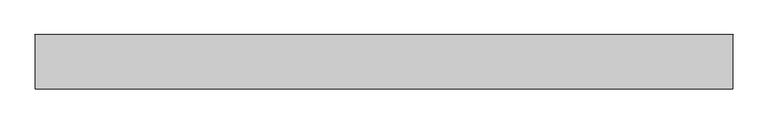
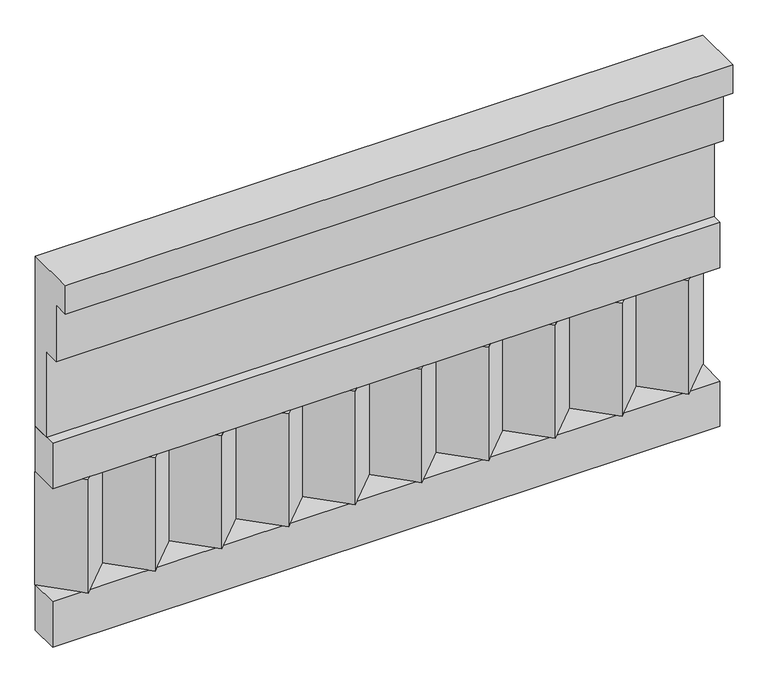
"""IFC4 building model written with IfcOpenShell, lengths in millimetres: railing geometry."""

from ifc_helpers import new_model, si_unit, frame, origin, place, context, project, spatial, polyline, outline, extrude, source, transform, mapped, element, save


def railing_4f165403(model_context):
    return source(origin(), model_context, "Body", "SweptSolid", [
        extrude(outline(polyline([(-16816.8920513, 18500.0), (-16816.8920513, 18050.0), (-16866.8920513, 18050.0), (-16866.8920513, 18275.0), (-16906.8920513, 18275.0), (-16906.8920513, 18425.0), (-16946.8920513, 18425.0), (-16946.8920513, 18500.0), (-16816.8920513, 18500.0)])), frame((-33139.9887159, 0.0, 0.0), z_axis=(1.0, 0.0, 0.0), x_axis=(0.0, 1.0, 0.0)), (0.0, 0.0, 1.0), 1670.0),
        extrude(outline(polyline([(-33139.9887159, -16891.8920513), (-33139.9887159, -16816.8920513), (-31469.9887159, -16816.8920513), (-31469.9887159, -16891.8920513), (-33139.9887159, -16891.8920513)])), frame((0.0, 0.0, 17930.0), z_axis=(0.0, 0.0, 1.0), x_axis=(1.0, 0.0, 0.0)), (0.0, 0.0, 1.0), 120.0),
        extrude(outline(polyline([(-33139.9887159, -16891.8920513), (-33139.9887159, -16816.8920513), (-31469.9887159, -16816.8920513), (-31469.9887159, -16891.8920513), (-33139.9887159, -16891.8920513)])), frame((0.0, 0.0, 17510.0), z_axis=(0.0, 0.0, 1.0), x_axis=(1.0, 0.0, 0.0)), (0.0, 0.0, 1.0), 120.0),
        extrude(outline(polyline([(-31553.4887159, -16901.7448651), (-31638.3415296, -16816.8920513), (-31468.6359022, -16816.8920513), (-31553.4887159, -16901.7448651)])), frame((0.0, 0.0, 17630.0), z_axis=(0.0, 0.0, 1.0), x_axis=(1.0, 0.0, 0.0)), (0.0, 0.0, 1.0), 300.0),
        extrude(outline(polyline([(-31720.4887159, -16901.7448651), (-31805.3415296, -16816.8920513), (-31635.6359022, -16816.8920513), (-31720.4887159, -16901.7448651)])), frame((0.0, 0.0, 17630.0), z_axis=(0.0, 0.0, 1.0), x_axis=(1.0, 0.0, 0.0)), (0.0, 0.0, 1.0), 300.0),
        extrude(outline(polyline([(-31887.4887159, -16901.7448651), (-31972.3415296, -16816.8920513), (-31802.6359022, -16816.8920513), (-31887.4887159, -16901.7448651)])), frame((0.0, 0.0, 17630.0), z_axis=(0.0, 0.0, 1.0), x_axis=(1.0, 0.0, 0.0)), (0.0, 0.0, 1.0), 300.0),
        extrude(outline(polyline([(-32054.4887159, -16901.7448651), (-32139.3415296, -16816.8920513), (-31969.6359022, -16816.8920513), (-32054.4887159, -16901.7448651)])), frame((0.0, 0.0, 17630.0), z_axis=(0.0, 0.0, 1.0), x_axis=(1.0, 0.0, 0.0)), (0.0, 0.0, 1.0), 300.0),
        extrude(outline(polyline([(-32221.4887159, -16901.7448651), (-32306.3415296, -16816.8920513), (-32136.6359022, -16816.8920513), (-32221.4887159, -16901.7448651)])), frame((0.0, 0.0, 17630.0), z_axis=(0.0, 0.0, 1.0), x_axis=(1.0, 0.0, 0.0)), (0.0, 0.0, 1.0), 300.0),
        extrude(outline(polyline([(-32388.4887159, -16901.7448651), (-32473.3415296, -16816.8920513), (-32303.6359022, -16816.8920513), (-32388.4887159, -16901.7448651)])), frame((0.0, 0.0, 17630.0), z_axis=(0.0, 0.0, 1.0), x_axis=(1.0, 0.0, 0.0)), (0.0, 0.0, 1.0), 300.0),
        extrude(outline(polyline([(-32555.4887159, -16901.7448651), (-32640.3415296, -16816.8920513), (-32470.6359022, -16816.8920513), (-32555.4887159, -16901.7448651)])), frame((0.0, 0.0, 17630.0), z_axis=(0.0, 0.0, 1.0), x_axis=(1.0, 0.0, 0.0)), (0.0, 0.0, 1.0), 300.0),
        extrude(outline(polyline([(-32722.4887159, -16901.7448651), (-32807.3415296, -16816.8920513), (-32637.6359022, -16816.8920513), (-32722.4887159, -16901.7448651)])), frame((0.0, 0.0, 17630.0), z_axis=(0.0, 0.0, 1.0), x_axis=(1.0, 0.0, 0.0)), (0.0, 0.0, 1.0), 300.0),
        extrude(outline(polyline([(-32889.4887159, -16901.7448651), (-32974.3415296, -16816.8920513), (-32804.6359022, -16816.8920513), (-32889.4887159, -16901.7448651)])), frame((0.0, 0.0, 17630.0), z_axis=(0.0, 0.0, 1.0), x_axis=(1.0, 0.0, 0.0)), (0.0, 0.0, 1.0), 300.0),
        extrude(outline(polyline([(-33056.4887159, -16901.7448651), (-33141.3415296, -16816.8920513), (-32971.6359022, -16816.8920513), (-33056.4887159, -16901.7448651)])), frame((0.0, 0.0, 17630.0), z_axis=(0.0, 0.0, 1.0), x_axis=(1.0, 0.0, 0.0)), (0.0, 0.0, 1.0), 300.0),
    ])


if __name__ == "__main__":
    model = new_model("IFC4")
    model_context = context("Model", 3, world=origin())
    ifc_project = project(units=[si_unit("LENGTHUNIT", "METRE", prefix="MILLI")], contexts=[model_context])
    site = spatial("IfcSite", under=ifc_project)
    building = spatial("IfcBuilding", under=site)
    placement = place(None, origin())
    railing_shape = railing_4f165403(model_context)
    element("IfcRailing", 1, at=placement, inside=building, context=model_context, shape_type="MappedRepresentation", body=[
        mapped(railing_shape, transform((0.0, 0.0, 0.0), x_axis=(1.0, 0.0, 0.0), y_axis=(0.0, 1.0, 0.0), z_axis=(0.0, 0.0, 1.0))),
    ])
    save(model, "model.ifc")
